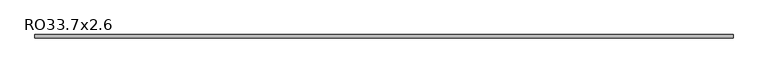
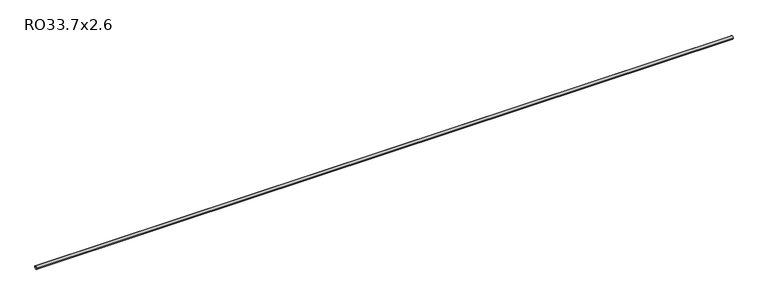
"""IFC4 building model written with IfcOpenShell, lengths in millimetres: beam geometry, RO33.7x2.6."""

import ifcopenshell
import ifcopenshell.guid

model = None  # the IFC model being written
_history = None  # IfcOwnerHistory: only IFC2X3 demands one
_inside = {}  # id of a spatial element -> (the spatial element, [elements in it])
_under = {}  # id of a project, library or spatial element -> (it, [spatial elements below it])
_declared = {}  # id of a project -> (the project, [libraries it declares])
_typed = {}  # id of a type object -> (the type object, [elements of that type])
_made_of = {}  # id of a material, layer set ... -> (it, [elements and type objects made of it])


def new_model(schema):
    """Start an empty IFC model of exactly this schema.

    Asked for "IFC4X3", IfcOpenShell would pick the latest addendum, in which some entities
    have other attributes; the version numbers below select the first issue.
    IFC2X3 requires an IfcOwnerHistory on every rooted entity: one is made here for all.
    """
    global model, _history
    if schema == "IFC4X3":
        model = ifcopenshell.file(schema_version=(4, 3, 0, 0))
    else:
        model = ifcopenshell.file(schema=schema)
    _inside.clear()
    _under.clear()
    _declared.clear()
    _typed.clear()
    _made_of.clear()
    _history = None
    if model.schema == "IFC2X3":
        org = make("IfcOrganization", Name="unknown")
        user = make(
            "IfcPersonAndOrganization",
            ThePerson=make("IfcPerson", FamilyName="unknown"),
            TheOrganization=org,
        )
        app = make(
            "IfcApplication",
            ApplicationDeveloper=org,
            Version="unknown",
            ApplicationFullName="unknown",
            ApplicationIdentifier="unknown",
        )
        _history = make(
            "IfcOwnerHistory",
            OwningUser=user,
            OwningApplication=app,
            ChangeAction="ADDED",
            CreationDate=0,
        )
    return model


def make(cls, **values):
    """One entity of the class cls with the attributes given. An attribute that is None is left unset."""
    return model.create_entity(
        cls, **{name: value for name, value in values.items() if value is not None}
    )


def rooted(cls, **values):
    """An entity with a GlobalId (a new one), such as an element, a storey or a relation."""
    return make(cls, GlobalId=ifcopenshell.guid.new(), OwnerHistory=_history, **values)


def si_unit(unit_type, name, prefix=None):
    """IfcSIUnit, for example si_unit("LENGTHUNIT", "METRE", prefix="MILLI")."""
    return make("IfcSIUnit", UnitType=unit_type, Prefix=prefix, Name=name)


def assignment(units):
    """IfcUnitAssignment: the units of a project."""
    return None if units is None else make("IfcUnitAssignment", Units=units)


def point(xyz):
    """IfcCartesianPoint."""
    return None if xyz is None else make("IfcCartesianPoint", Coordinates=xyz)


def direction(xyz):
    """IfcDirection."""
    return None if xyz is None else make("IfcDirection", DirectionRatios=xyz)


def frame(location, z_axis=None, x_axis=None):
    """IfcAxis2Placement3D, a coordinate frame: its origin and axes. An axis left out is left unset."""
    return make(
        "IfcAxis2Placement3D",
        Location=point(location),
        Axis=direction(z_axis),
        RefDirection=direction(x_axis),
    )


def frame_2d(location, x_axis=None):
    """IfcAxis2Placement2D, a coordinate frame in the plane: its origin and x axis."""
    return make(
        "IfcAxis2Placement2D", Location=point(location), RefDirection=direction(x_axis)
    )


def origin():
    """The frame at (0, 0, 0) with its axes left unset."""
    return frame((0.0, 0.0, 0.0))


def origin_2d():
    """The frame at (0, 0) in the plane with its x axis left unset."""
    return frame_2d((0.0, 0.0))


def place(relative_to, where):
    """IfcLocalPlacement: puts the frame where relative to a parent placement (None: the world)."""
    return make(
        "IfcLocalPlacement", PlacementRelTo=relative_to, RelativePlacement=where
    )


def context(
    kind, dimensions, precision=None, world=None, true_north=None, identifier=None
):
    """IfcGeometricRepresentationContext, for example the 3D "Model" context."""
    return make(
        "IfcGeometricRepresentationContext",
        ContextIdentifier=identifier,
        ContextType=kind,
        CoordinateSpaceDimension=dimensions,
        Precision=precision,
        WorldCoordinateSystem=world,
        TrueNorth=true_north,
    )


def project(units=None, contexts=None):
    """IfcProject with its units and contexts."""
    return rooted(
        "IfcProject",
        Name="project",
        RepresentationContexts=contexts,
        UnitsInContext=assignment(units),
    )


def spatial(cls, under=None, at=None, **own):
    """A site, building, storey or space (cls), placed at a placement, below another one or the project."""
    s = rooted(cls, ObjectPlacement=at, **own)
    if under is not None:
        _under.setdefault(under.id(), (under, []))[1].append(s)
    return s


def circle_curve(where, radius):
    """IfcCircle in the frame where."""
    return make("IfcCircle", Position=where, Radius=radius)


def trimmed(basis, trim1, trim2, sense, master):
    """IfcTrimmedCurve: the piece of a basis curve between two trims."""
    return make(
        "IfcTrimmedCurve",
        BasisCurve=basis,
        Trim1=trim1,
        Trim2=trim2,
        SenseAgreement=sense,
        MasterRepresentation=master,
    )


def segment(curve, same_sense, transition):
    """IfcCompositeCurveSegment."""
    return make(
        "IfcCompositeCurveSegment",
        Transition=transition,
        SameSense=same_sense,
        ParentCurve=curve,
    )


def composite_curve(segments, self_intersect=None):
    """IfcCompositeCurve: segments joined end to end."""
    return make("IfcCompositeCurve", Segments=segments, SelfIntersect=self_intersect)


def outline(outer, holes=None, kind="AREA"):
    """IfcArbitraryClosedProfileDef: a profile drawn as a closed curve; with holes, ...WithVoids."""
    if holes is None:
        return make("IfcArbitraryClosedProfileDef", ProfileType=kind, OuterCurve=outer)
    return make(
        "IfcArbitraryProfileDefWithVoids",
        ProfileType=kind,
        OuterCurve=outer,
        InnerCurves=holes,
    )


def extrude(swept, where, along, depth):
    """IfcExtrudedAreaSolid: the profile swept, set in the frame where, extruded along a direction by depth."""
    return make(
        "IfcExtrudedAreaSolid",
        SweptArea=swept,
        Position=where,
        ExtrudedDirection=direction(along),
        Depth=depth,
    )


def shape(context_of_items, identifier, shape_type, items):
    """IfcShapeRepresentation: the items that make up one representation, for example the "Body"."""
    return make(
        "IfcShapeRepresentation",
        ContextOfItems=context_of_items,
        RepresentationIdentifier=identifier,
        RepresentationType=shape_type,
        Items=items,
    )


def source(mapping_origin, context_of_items, identifier, shape_type, items):
    """IfcRepresentationMap: a shape defined once, which mapped items show again and again."""
    return make(
        "IfcRepresentationMap",
        MappingOrigin=mapping_origin,
        MappedRepresentation=shape(context_of_items, identifier, shape_type, items),
    )


def transform(
    local_origin,
    x_axis=None,
    y_axis=None,
    z_axis=None,
    scale=None,
    scale2=None,
    scale3=None,
    uniform=True,
):
    """IfcCartesianTransformationOperator3D, or its non-uniform kind. x_axis, y_axis, z_axis: its Axis1, 2, 3."""
    if uniform:
        return make(
            "IfcCartesianTransformationOperator3D",
            Axis1=direction(x_axis),
            Axis2=direction(y_axis),
            LocalOrigin=point(local_origin),
            Scale=scale,
            Axis3=direction(z_axis),
        )
    return make(
        "IfcCartesianTransformationOperator3DnonUniform",
        Axis1=direction(x_axis),
        Axis2=direction(y_axis),
        LocalOrigin=point(local_origin),
        Scale=scale,
        Axis3=direction(z_axis),
        Scale2=scale2,
        Scale3=scale3,
    )


def mapped(mapping_source, mapping_target):
    """IfcMappedItem: shows the shape of a source again, moved by a transform."""
    return make(
        "IfcMappedItem", MappingSource=mapping_source, MappingTarget=mapping_target
    )


def made_of(thing, what):
    """Note that an element or type object is made of a material, layer set ...; save() writes the relation."""
    if what is not None:
        _made_of.setdefault(what.id(), (what, []))[1].append(thing)
    return thing


def element(
    cls,
    number,
    at=None,
    inside=None,
    cuts=None,
    type_object=None,
    material=None,
    context=None,
    identifier="Body",
    shape_type=None,
    held_by="IfcProductDefinitionShape",
    body=None,
    shapes=None,
    **own,
):
    """One element of the class cls, such as IfcWall. Its Tag is "e" and its number.

    at: its placement. inside: the storey or other place that contains it. cuts: it is an
    opening in that element (IfcRelVoidsElement). A single representation is given by context,
    identifier, shape_type and body (its items); several are given by shapes. held_by: the class
    of the entity that holds the representations. save() writes the other relations.
    """
    e = rooted(cls, Tag="e%d" % number, ObjectPlacement=at, **own)
    if body is not None:
        shapes = [shape(context, identifier, shape_type, body)]
    if shapes is not None:
        e.Representation = make(held_by, Representations=shapes)
    if inside is not None:
        _inside.setdefault(inside.id(), (inside, []))[1].append(e)
    if cuts is not None:
        rooted(
            "IfcRelVoidsElement", RelatingBuildingElement=cuts, RelatedOpeningElement=e
        )
    if type_object is not None:
        _typed.setdefault(type_object.id(), (type_object, []))[1].append(e)
    return made_of(e, material)


def aggregate(whole, parts):
    """IfcRelAggregates: a whole, such as a stair, and the parts it consists of."""
    return rooted("IfcRelAggregates", RelatingObject=whole, RelatedObjects=parts)


def save(model, path):
    """Write the relations noted so far, then the file.

    IfcRelAggregates (storeys below a building ...), IfcRelContainedInSpatialStructure (elements
    in a storey), IfcRelDefinesByType, IfcRelAssociatesMaterial and IfcRelDeclares: one each for
    every whole, place, type object, material and project.
    """
    for whole, parts in _under.values():
        aggregate(whole, parts)
    for where, things in _inside.values():
        rooted(
            "IfcRelContainedInSpatialStructure",
            RelatedElements=things,
            RelatingStructure=where,
        )
    for kind, things in _typed.values():
        rooted("IfcRelDefinesByType", RelatedObjects=things, RelatingType=kind)
    for what, things in _made_of.values():
        rooted("IfcRelAssociatesMaterial", RelatedObjects=things, RelatingMaterial=what)
    for by, libraries in _declared.values():
        rooted("IfcRelDeclares", RelatingContext=by, RelatedDefinitions=libraries)
    model.write(path)


def ro33_7x2_6_a3b3a8fa(model_context):
    return source(origin(), model_context, "Body", "SweptSolid", [
        extrude(outline(composite_curve([segment(trimmed(circle_curve(origin_2d(), 16.85), [point((-16.85, 0.0))], [point((16.85, 0.0))], False, "CARTESIAN"), True, "CONTINUOUS"), segment(trimmed(circle_curve(origin_2d(), 16.85), [point((16.85, 0.0))], [point((-16.85, 0.0))], False, "CARTESIAN"), True, "CONTINUOUS")], self_intersect=False), holes=[composite_curve([segment(trimmed(circle_curve(origin_2d(), 14.25), [point((14.25, 0.0))], [point((-14.25, 0.0))], True, "CARTESIAN"), True, "CONTINUOUS"), segment(trimmed(circle_curve(origin_2d(), 14.25), [point((-14.25, 0.0))], [point((14.25, 0.0))], True, "CARTESIAN"), True, "CONTINUOUS")], self_intersect=False)]), frame((-3690.0, 0.0, 0.0), z_axis=(1.0, 0.0, 0.0), x_axis=(0.0, 1.0, 0.0)), (0.0, 0.0, 1.0), 7380.0),
    ])


if __name__ == "__main__":
    model = new_model("IFC4")
    model_context = context("Model", 3, world=origin())
    ifc_project = project(units=[si_unit("LENGTHUNIT", "METRE", prefix="MILLI")], contexts=[model_context])
    site = spatial("IfcSite", under=ifc_project)
    building = spatial("IfcBuilding", under=site)
    placement = place(None, origin())
    ro33_7x2_6_shape = ro33_7x2_6_a3b3a8fa(model_context)
    element("IfcBeam", 1, ObjectType="RO33.7x2.6", at=placement, inside=building, context=model_context, shape_type="MappedRepresentation", body=[
        mapped(ro33_7x2_6_shape, transform((0.0, 0.0, 0.0), x_axis=(1.0, 0.0, 0.0), y_axis=(0.0, 1.0, 0.0), z_axis=(0.0, 0.0, 1.0))),
    ])
    save(model, "model.ifc")
